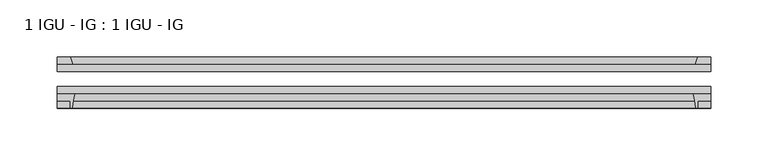
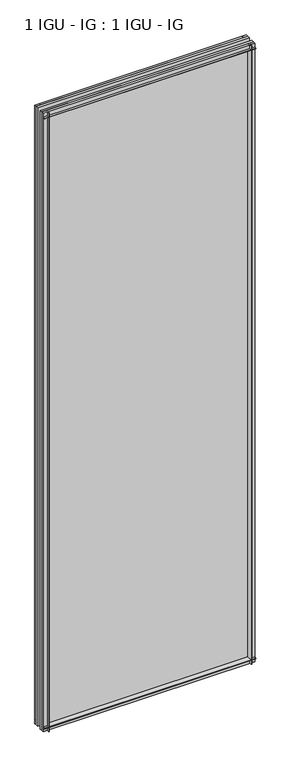
"""IFC4 building model written with IfcOpenShell, lengths in millimetres: plate geometry, 1 IGU - IG : 1 IGU - IG."""

from ifc_helpers import new_model, si_unit, point, frame, frame_2d, origin, place, context, project, spatial, polyline, circle_curve, trimmed, segment, composite_curve, outline, extrude, source, transform, mapped, element, save


def plate_1_igu_ig_1_igu_ig_7150ae7a(model_context):
    return source(origin(), model_context, "Body", "SweptSolid", [
        extrude(outline(polyline([(303.6937375, -31.75), (303.6937375, -38.1), (-265.5937375, -38.1), (-265.5937375, -31.75), (303.6937375, -31.75)])), frame((0.0, 0.0, -11.1125), z_axis=(0.0, 0.0, 1.0), x_axis=(1.0, 0.0, 0.0)), (0.0, 0.0, 1.0), 1755.775),
        extrude(outline(polyline([(-265.5937375, -12.7), (303.6937375, -12.7), (303.6937375, -19.05), (-265.5937375, -19.05), (-265.5937375, -12.7)])), frame((0.0, 0.0, -11.1125), z_axis=(0.0, 0.0, 1.0), x_axis=(1.0, 0.0, 0.0)), (0.0, 0.0, 1.0), 1755.775),
        extrude(outline(composite_curve([segment(polyline([(-265.5937375, -38.1), (-250.3000582, -38.1)]), True, "CONTINUOUS"), segment(trimmed(circle_curve(frame_2d((-207.0410419, -53.3794536)), 45.8781451), [point((-250.3000582, -38.1))], [point((-252.8012947, -50.0925922))], True, "CARTESIAN"), True, "CONTINUOUS"), segment(trimmed(circle_curve(frame_2d((-253.5613366, -50.038)), 0.762), [point((-252.8012947, -50.0925922))], [point((-253.5613366, -50.8))], False, "CARTESIAN"), True, "CONTINUOUS"), segment(polyline([(-253.5613366, -50.8), (-254.4812375, -50.8), (-254.4812375, -44.45), (-265.5937375, -44.45), (-265.5937375, -38.1)]), True, "CONTINUOUS")], self_intersect=False)), frame((0.0, 0.0, -11.1125), z_axis=(0.0, 0.0, 1.0), x_axis=(1.0, 0.0, 0.0)), (0.0, 0.0, 1.0), 1755.775),
        extrude(outline(polyline([(-252.3759604, -12.7), (-265.5937375, -12.7), (-265.5937375, -6.35), (-254.4812375, -6.35), (-252.3759604, -12.7)])), frame((0.0, 0.0, -11.1125), z_axis=(0.0, 0.0, 1.0), x_axis=(1.0, 0.0, 0.0)), (0.0, 0.0, 1.0), 1755.775),
        extrude(outline(polyline([(303.6937375, -12.7), (290.4759604, -12.7), (292.5812375, -6.35), (303.6937375, -6.35), (303.6937375, -12.7)])), frame((0.0, 0.0, -11.1125), z_axis=(0.0, 0.0, 1.0), x_axis=(1.0, 0.0, 0.0)), (0.0, 0.0, 1.0), 1755.775),
        extrude(outline(composite_curve([segment(polyline([(288.4000582, -38.1), (303.6937375, -38.1), (303.6937375, -44.45), (292.5812375, -44.45), (292.5812375, -50.8), (291.6613366, -50.8)]), True, "CONTINUOUS"), segment(trimmed(circle_curve(frame_2d((291.6613366, -50.038)), 0.762), [point((291.6613366, -50.8))], [point((290.9012947, -50.0925922))], False, "CARTESIAN"), True, "CONTINUOUS"), segment(trimmed(circle_curve(frame_2d((245.1410419, -53.3794536)), 45.8781451), [point((290.9012947, -50.0925922))], [point((288.4000582, -38.1))], True, "CARTESIAN"), True, "CONTINUOUS")], self_intersect=False)), frame((0.0, 0.0, -11.1125), z_axis=(0.0, 0.0, 1.0), x_axis=(1.0, 0.0, 0.0)), (0.0, 0.0, 1.0), 1755.775),
        extrude(outline(polyline([(-12.7, -11.1125), (-12.7, 2.1052771), (-6.35, 0.0), (-6.35, -11.1125), (-12.7, -11.1125)])), frame((-265.5937375, 0.0, 0.0), z_axis=(1.0, 0.0, 0.0), x_axis=(0.0, 1.0, 0.0)), (0.0, 0.0, 1.0), 569.2874749),
        extrude(outline(composite_curve([segment(polyline([(-38.1, 4.1811793), (-38.1, -11.1125), (-44.45, -11.1125), (-44.45, 0.0), (-50.8, 0.0), (-50.8, 0.9199009)]), True, "CONTINUOUS"), segment(trimmed(circle_curve(frame_2d((-50.038, 0.9199009)), 0.762), [point((-50.8, 0.9199009))], [point((-50.0925922, 1.6799428))], False, "CARTESIAN"), True, "CONTINUOUS"), segment(trimmed(circle_curve(frame_2d((-53.3794536, 47.4401956)), 45.8781451), [point((-50.0925922, 1.6799428))], [point((-38.1, 4.1811793))], True, "CARTESIAN"), True, "CONTINUOUS")], self_intersect=False)), frame((-265.5937375, 0.0, 0.0), z_axis=(1.0, 0.0, 0.0), x_axis=(0.0, 1.0, 0.0)), (0.0, 0.0, 1.0), 569.2874749),
        extrude(outline(polyline([(-6.35, 1733.55), (-12.7, 1731.4447229), (-12.7, 1744.6625), (-6.35, 1744.6625), (-6.35, 1733.55)])), frame((-265.5937375, 0.0, 0.0), z_axis=(1.0, 0.0, 0.0), x_axis=(0.0, 1.0, 0.0)), (0.0, 0.0, 1.0), 569.2874749),
        extrude(outline(composite_curve([segment(polyline([(-38.1, 1744.6625), (-38.1, 1729.3688207)]), True, "CONTINUOUS"), segment(trimmed(circle_curve(frame_2d((-53.3794536, 1686.1098044)), 45.8781451), [point((-38.1, 1729.3688207))], [point((-50.0925922, 1731.8700572))], True, "CARTESIAN"), True, "CONTINUOUS"), segment(trimmed(circle_curve(frame_2d((-50.038, 1732.6300991)), 0.762), [point((-50.0925922, 1731.8700572))], [point((-50.8, 1732.6300991))], False, "CARTESIAN"), True, "CONTINUOUS"), segment(polyline([(-50.8, 1732.6300991), (-50.8, 1733.55), (-44.45, 1733.55), (-44.45, 1744.6625), (-38.1, 1744.6625)]), True, "CONTINUOUS")], self_intersect=False)), frame((-265.5937375, 0.0, 0.0), z_axis=(1.0, 0.0, 0.0), x_axis=(0.0, 1.0, 0.0)), (0.0, 0.0, 1.0), 569.2874749),
    ])


if __name__ == "__main__":
    model = new_model("IFC4")
    model_context = context("Model", 3, world=origin())
    ifc_project = project(units=[si_unit("LENGTHUNIT", "METRE", prefix="MILLI")], contexts=[model_context])
    site = spatial("IfcSite", under=ifc_project)
    building = spatial("IfcBuilding", under=site)
    placement = place(None, origin())
    plate_1_igu_ig_1_igu_ig_shape = plate_1_igu_ig_1_igu_ig_7150ae7a(model_context)
    element("IfcPlate", 1, ObjectType="1 IGU - IG : 1 IGU - IG", at=placement, inside=building, context=model_context, shape_type="MappedRepresentation", body=[
        mapped(plate_1_igu_ig_1_igu_ig_shape, transform((0.0, 0.0, 0.0), x_axis=(1.0, 0.0, 0.0), y_axis=(0.0, 1.0, 0.0), z_axis=(0.0, 0.0, 1.0))),
    ])
    save(model, "model.ifc")
